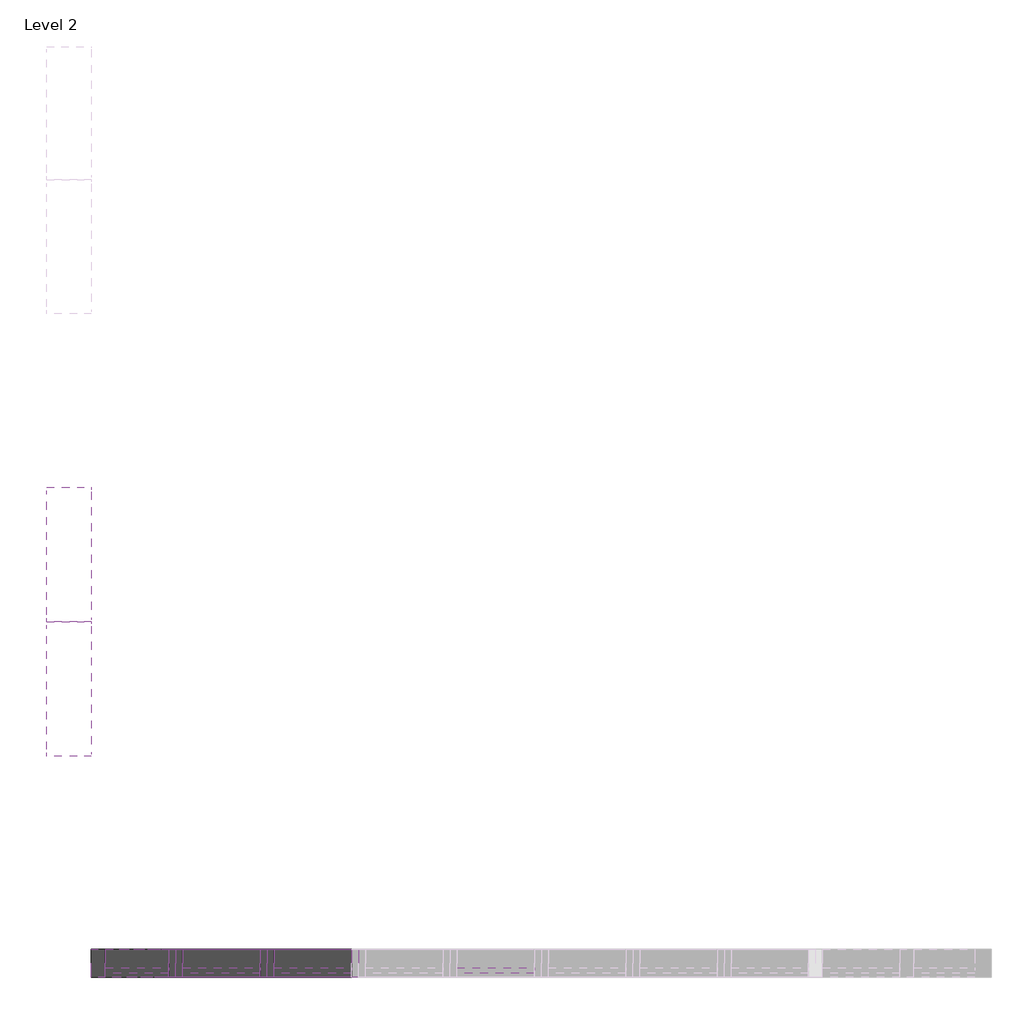
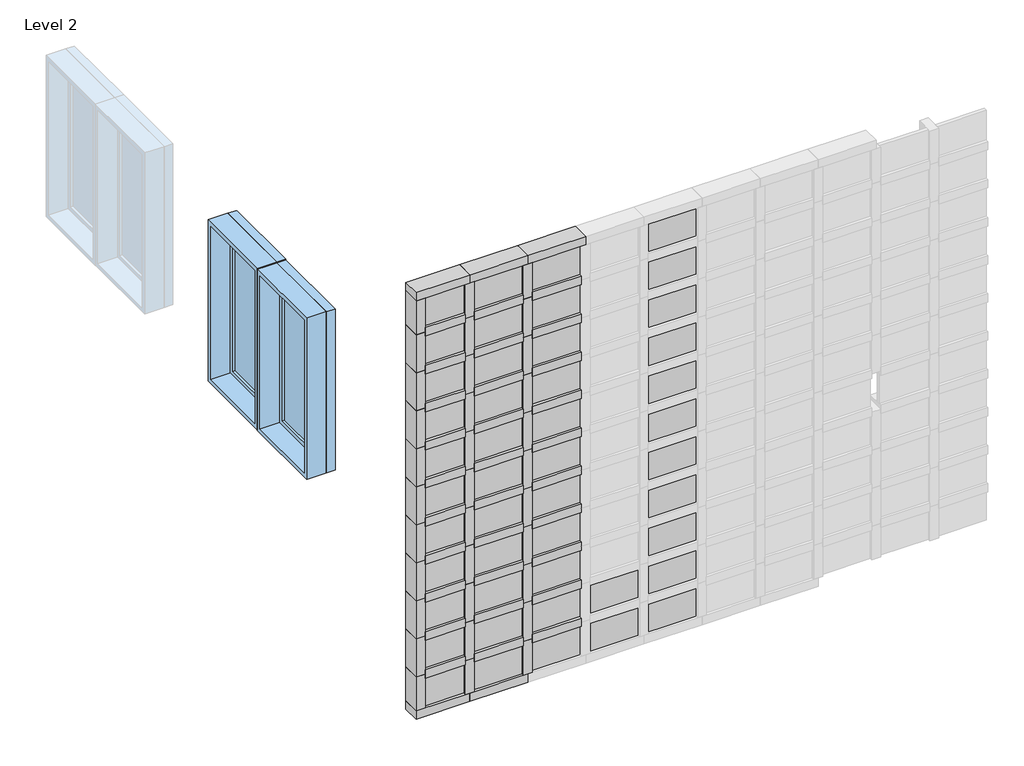
# One storey, part 1 of 7: 68 members, 46 plates, 2 windows.
"""IFC4 building model written with IfcOpenShell, lengths in millimetres."""

import ifcopenshell
import ifcopenshell.guid

model = None  # the IFC model being written
_history = None  # IfcOwnerHistory: only IFC2X3 demands one
_inside = {}  # id of a spatial element -> (the spatial element, [elements in it])
_under = {}  # id of a project, library or spatial element -> (it, [spatial elements below it])
_declared = {}  # id of a project -> (the project, [libraries it declares])
_typed = {}  # id of a type object -> (the type object, [elements of that type])
_made_of = {}  # id of a material, layer set ... -> (it, [elements and type objects made of it])


def new_model(schema):
    """Start an empty IFC model of exactly this schema.

    Asked for "IFC4X3", IfcOpenShell would pick the latest addendum, in which some entities
    have other attributes; the version numbers below select the first issue.
    IFC2X3 requires an IfcOwnerHistory on every rooted entity: one is made here for all.
    """
    global model, _history
    if schema == "IFC4X3":
        model = ifcopenshell.file(schema_version=(4, 3, 0, 0))
    else:
        model = ifcopenshell.file(schema=schema)
    _inside.clear()
    _under.clear()
    _declared.clear()
    _typed.clear()
    _made_of.clear()
    _history = None
    if model.schema == "IFC2X3":
        org = make("IfcOrganization", Name="unknown")
        user = make(
            "IfcPersonAndOrganization",
            ThePerson=make("IfcPerson", FamilyName="unknown"),
            TheOrganization=org,
        )
        app = make(
            "IfcApplication",
            ApplicationDeveloper=org,
            Version="unknown",
            ApplicationFullName="unknown",
            ApplicationIdentifier="unknown",
        )
        _history = make(
            "IfcOwnerHistory",
            OwningUser=user,
            OwningApplication=app,
            ChangeAction="ADDED",
            CreationDate=0,
        )
    return model


def make(cls, **values):
    """One entity of the class cls with the attributes given. An attribute that is None is left unset."""
    return model.create_entity(
        cls, **{name: value for name, value in values.items() if value is not None}
    )


def rooted(cls, **values):
    """An entity with a GlobalId (a new one), such as an element, a storey or a relation."""
    return make(cls, GlobalId=ifcopenshell.guid.new(), OwnerHistory=_history, **values)


def si_unit(unit_type, name, prefix=None):
    """IfcSIUnit, for example si_unit("LENGTHUNIT", "METRE", prefix="MILLI")."""
    return make("IfcSIUnit", UnitType=unit_type, Prefix=prefix, Name=name)


def assignment(units):
    """IfcUnitAssignment: the units of a project."""
    return None if units is None else make("IfcUnitAssignment", Units=units)


def point(xyz):
    """IfcCartesianPoint."""
    return None if xyz is None else make("IfcCartesianPoint", Coordinates=xyz)


def direction(xyz):
    """IfcDirection."""
    return None if xyz is None else make("IfcDirection", DirectionRatios=xyz)


def frame(location, z_axis=None, x_axis=None):
    """IfcAxis2Placement3D, a coordinate frame: its origin and axes. An axis left out is left unset."""
    return make(
        "IfcAxis2Placement3D",
        Location=point(location),
        Axis=direction(z_axis),
        RefDirection=direction(x_axis),
    )


def origin():
    """The frame at (0, 0, 0) with its axes left unset."""
    return frame((0.0, 0.0, 0.0))


def origin_with_axes():
    """The frame at (0, 0, 0) with the z axis (0, 0, 1) and the x axis (1, 0, 0) written out."""
    return frame((0.0, 0.0, 0.0), z_axis=(0.0, 0.0, 1.0), x_axis=(1.0, 0.0, 0.0))


def place(relative_to, where):
    """IfcLocalPlacement: puts the frame where relative to a parent placement (None: the world)."""
    return make(
        "IfcLocalPlacement", PlacementRelTo=relative_to, RelativePlacement=where
    )


def context(
    kind, dimensions, precision=None, world=None, true_north=None, identifier=None
):
    """IfcGeometricRepresentationContext, for example the 3D "Model" context."""
    return make(
        "IfcGeometricRepresentationContext",
        ContextIdentifier=identifier,
        ContextType=kind,
        CoordinateSpaceDimension=dimensions,
        Precision=precision,
        WorldCoordinateSystem=world,
        TrueNorth=true_north,
    )


def project(units=None, contexts=None):
    """IfcProject with its units and contexts."""
    return rooted(
        "IfcProject",
        Name="project",
        RepresentationContexts=contexts,
        UnitsInContext=assignment(units),
    )


def spatial(cls, under=None, at=None, **own):
    """A site, building, storey or space (cls), placed at a placement, below another one or the project."""
    s = rooted(cls, ObjectPlacement=at, **own)
    if under is not None:
        _under.setdefault(under.id(), (under, []))[1].append(s)
    return s


def polyline(points):
    """IfcPolyline through the points."""
    return make("IfcPolyline", Points=[point(p) for p in points])


def outline(outer, holes=None, kind="AREA"):
    """IfcArbitraryClosedProfileDef: a profile drawn as a closed curve; with holes, ...WithVoids."""
    if holes is None:
        return make("IfcArbitraryClosedProfileDef", ProfileType=kind, OuterCurve=outer)
    return make(
        "IfcArbitraryProfileDefWithVoids",
        ProfileType=kind,
        OuterCurve=outer,
        InnerCurves=holes,
    )


def extrude(swept, where, along, depth):
    """IfcExtrudedAreaSolid: the profile swept, set in the frame where, extruded along a direction by depth."""
    return make(
        "IfcExtrudedAreaSolid",
        SweptArea=swept,
        Position=where,
        ExtrudedDirection=direction(along),
        Depth=depth,
    )


def shape(context_of_items, identifier, shape_type, items):
    """IfcShapeRepresentation: the items that make up one representation, for example the "Body"."""
    return make(
        "IfcShapeRepresentation",
        ContextOfItems=context_of_items,
        RepresentationIdentifier=identifier,
        RepresentationType=shape_type,
        Items=items,
    )


def source(mapping_origin, context_of_items, identifier, shape_type, items):
    """IfcRepresentationMap: a shape defined once, which mapped items show again and again."""
    return make(
        "IfcRepresentationMap",
        MappingOrigin=mapping_origin,
        MappedRepresentation=shape(context_of_items, identifier, shape_type, items),
    )


def transform(
    local_origin,
    x_axis=None,
    y_axis=None,
    z_axis=None,
    scale=None,
    scale2=None,
    scale3=None,
    uniform=True,
):
    """IfcCartesianTransformationOperator3D, or its non-uniform kind. x_axis, y_axis, z_axis: its Axis1, 2, 3."""
    if uniform:
        return make(
            "IfcCartesianTransformationOperator3D",
            Axis1=direction(x_axis),
            Axis2=direction(y_axis),
            LocalOrigin=point(local_origin),
            Scale=scale,
            Axis3=direction(z_axis),
        )
    return make(
        "IfcCartesianTransformationOperator3DnonUniform",
        Axis1=direction(x_axis),
        Axis2=direction(y_axis),
        LocalOrigin=point(local_origin),
        Scale=scale,
        Axis3=direction(z_axis),
        Scale2=scale2,
        Scale3=scale3,
    )


def mapped(mapping_source, mapping_target):
    """IfcMappedItem: shows the shape of a source again, moved by a transform."""
    return make(
        "IfcMappedItem", MappingSource=mapping_source, MappingTarget=mapping_target
    )


def made_of(thing, what):
    """Note that an element or type object is made of a material, layer set ...; save() writes the relation."""
    if what is not None:
        _made_of.setdefault(what.id(), (what, []))[1].append(thing)
    return thing


def element(
    cls,
    number,
    at=None,
    inside=None,
    cuts=None,
    type_object=None,
    material=None,
    context=None,
    identifier="Body",
    shape_type=None,
    held_by="IfcProductDefinitionShape",
    body=None,
    shapes=None,
    **own,
):
    """One element of the class cls, such as IfcWall. Its Tag is "e" and its number.

    at: its placement. inside: the storey or other place that contains it. cuts: it is an
    opening in that element (IfcRelVoidsElement). A single representation is given by context,
    identifier, shape_type and body (its items); several are given by shapes. held_by: the class
    of the entity that holds the representations. save() writes the other relations.
    """
    e = rooted(cls, Tag="e%d" % number, ObjectPlacement=at, **own)
    if body is not None:
        shapes = [shape(context, identifier, shape_type, body)]
    if shapes is not None:
        e.Representation = make(held_by, Representations=shapes)
    if inside is not None:
        _inside.setdefault(inside.id(), (inside, []))[1].append(e)
    if cuts is not None:
        rooted(
            "IfcRelVoidsElement", RelatingBuildingElement=cuts, RelatedOpeningElement=e
        )
    if type_object is not None:
        _typed.setdefault(type_object.id(), (type_object, []))[1].append(e)
    return made_of(e, material)


def aggregate(whole, parts):
    """IfcRelAggregates: a whole, such as a stair, and the parts it consists of."""
    return rooted("IfcRelAggregates", RelatingObject=whole, RelatedObjects=parts)


def save(model, path):
    """Write the relations noted so far, then the file.

    IfcRelAggregates (storeys below a building ...), IfcRelContainedInSpatialStructure (elements
    in a storey), IfcRelDefinesByType, IfcRelAssociatesMaterial and IfcRelDeclares: one each for
    every whole, place, type object, material and project.
    """
    for whole, parts in _under.values():
        aggregate(whole, parts)
    for where, things in _inside.values():
        rooted(
            "IfcRelContainedInSpatialStructure",
            RelatedElements=things,
            RelatingStructure=where,
        )
    for kind, things in _typed.values():
        rooted("IfcRelDefinesByType", RelatedObjects=things, RelatingType=kind)
    for what, things in _made_of.values():
        rooted("IfcRelAssociatesMaterial", RelatedObjects=things, RelatingMaterial=what)
    for by, libraries in _declared.values():
        rooted("IfcRelDeclares", RelatingContext=by, RelatedDefinitions=libraries)
    model.write(path)


def member_053a1080(model_context):
    return source(origin(), model_context, "Body", "SweptSolid", [
        extrude(outline(polyline([(31.75, 63.5), (31.75, -63.5), (-31.75, -63.5), (-31.75, 63.5), (31.75, 63.5)])), frame((0.0, 0.0, -351.3666667), z_axis=(0.0, 0.0, 1.0), x_axis=(1.0, 0.0, 0.0)), (0.0, 0.0, 1.0), 351.3666667),
    ])


def member_034e421a(model_context):
    return source(origin(), model_context, "Body", "SweptSolid", [
        extrude(outline(polyline([(31.75, 63.5), (31.75, -63.5), (-31.75, -63.5), (-31.75, 63.5), (31.75, 63.5)])), frame((0.0, 0.0, -287.8666667), z_axis=(0.0, 0.0, 1.0), x_axis=(1.0, 0.0, 0.0)), (0.0, 0.0, 1.0), 287.8666667),
    ])


def member_cc20b924(model_context):
    return source(origin(), model_context, "Body", "SweptSolid", [
        extrude(outline(polyline([(0.0, 63.5), (0.0, -63.5), (-63.5, -63.5), (-63.5, 63.5), (0.0, 63.5)])), frame((0.0, 0.0, -414.8666667), z_axis=(0.0, 0.0, 1.0), x_axis=(1.0, 0.0, 0.0)), (0.0, 0.0, 1.0), 414.8666667),
    ])


def member_2293d3ee(model_context):
    return source(origin(), model_context, "Body", "SweptSolid", [
        extrude(outline(polyline([(0.0, 63.5), (0.0, -63.5), (-63.5, -63.5), (-63.5, 63.5), (0.0, 63.5)])), frame((0.0, 0.0, -383.1166667), z_axis=(0.0, 0.0, 1.0), x_axis=(1.0, 0.0, 0.0)), (0.0, 0.0, 1.0), 383.1166667),
    ])


def member_fa3b035b(model_context):
    return source(origin(), model_context, "Body", "SweptSolid", [
        extrude(outline(polyline([(31.75, 63.5), (31.75, -63.5), (-31.75, -63.5), (-31.75, 63.5), (31.75, 63.5)])), frame((0.0, 0.0, -287.4301113), z_axis=(0.0, 0.0, 1.0), x_axis=(1.0, 0.0, 0.0)), (0.0, 0.0, 1.0), 287.4301113),
    ])


def member_d2e9ee92(model_context):
    return source(origin(), model_context, "Body", "SweptSolid", [
        extrude(outline(polyline([(31.75, 63.5), (31.75, -63.5), (-31.75, -63.5), (-31.75, 63.5), (31.75, 63.5)])), frame((0.0, 0.0, -255.6801113), z_axis=(0.0, 0.0, 1.0), x_axis=(1.0, 0.0, 0.0)), (0.0, 0.0, 1.0), 255.6801113),
    ])


def member_1cec665f(model_context):
    return source(origin(), model_context, "Body", "SweptSolid", [
        extrude(outline(polyline([(0.0, 63.5), (0.0, -63.5), (-63.5, -63.5), (-63.5, 63.5), (0.0, 63.5)])), frame((0.0, 0.0, -287.4301113), z_axis=(0.0, 0.0, 1.0), x_axis=(1.0, 0.0, 0.0)), (0.0, 0.0, 1.0), 287.4301113),
    ])


def member_eea44fdc(model_context):
    return source(origin(), model_context, "Body", "SweptSolid", [
        extrude(outline(polyline([(0.0, 63.5), (0.0, -63.5), (-63.5, -63.5), (-63.5, 63.5), (0.0, 63.5)])), frame((0.0, 0.0, -255.6801113), z_axis=(0.0, 0.0, 1.0), x_axis=(1.0, 0.0, 0.0)), (0.0, 0.0, 1.0), 255.6801113),
    ])


def system_panel_glazed_a957bdd6(model_context):
    return source(origin(), model_context, "Body", "SweptSolid", [
        extrude(outline(polyline([(175.6833333, 19.05), (-175.6833333, 19.05), (-175.6833333, 44.45), (175.6833333, 44.45), (175.6833333, 19.05)])), origin_with_axes(), (0.0, 0.0, 1.0), 223.9301113),
    ])


def system_panel_glazed_3b3cb07f(model_context):
    return source(origin(), model_context, "Body", "SweptSolid", [
        extrude(outline(polyline([(143.9333333, 19.05), (-143.9333333, 19.05), (-143.9333333, 44.45), (143.9333333, 44.45), (143.9333333, 19.05)])), origin_with_axes(), (0.0, 0.0, 1.0), 223.9301113),
    ])


def window_80bd9af0(model_context):
    return source(origin(), model_context, "Body", "SweptSolid", [
        extrude(outline(polyline([(203.2, 53.975), (-279.4, 53.975), (-279.4, 66.675), (203.2, 66.675), (203.2, 53.975)])), frame((0.0, 0.0, 977.9), z_axis=(0.0, 0.0, 1.0), x_axis=(1.0, 0.0, 0.0)), (0.0, 0.0, 1.0), 1092.2),
        extrude(outline(polyline([(2114.55, -323.85), (933.45, -323.85), (933.45, 247.65), (2114.55, 247.65), (2114.55, -323.85)]), holes=[polyline([(2070.1, -279.4), (2070.1, 203.2), (977.9, 203.2), (977.9, -279.4), (2070.1, -279.4)])]), frame((0.0, 38.1, 0.0), z_axis=(0.0, 1.0, 0.0), x_axis=(0.0, 0.0, 1.0)), (0.0, 0.0, 1.0), 44.45),
        extrude(outline(polyline([(2133.6, -342.9), (914.4, -342.9), (914.4, 266.7), (2133.6, 266.7), (2133.6, -342.9)]), holes=[polyline([(2101.85, -311.15), (2101.85, 234.95), (946.15, 234.95), (946.15, -311.15), (2101.85, -311.15)])]), frame((0.0, -101.6, 0.0), z_axis=(0.0, 1.0, 0.0), x_axis=(0.0, 0.0, 1.0)), (0.0, 0.0, 1.0), 139.7),
        extrude(outline(polyline([(2133.6, 266.7), (2133.6, -342.9), (914.4, -342.9), (914.4, 266.7), (2133.6, 266.7)]), holes=[polyline([(2114.55, 247.65), (933.45, 247.65), (933.45, -323.85), (2114.55, -323.85), (2114.55, 247.65)])]), frame((0.0, 38.1, 0.0), z_axis=(0.0, 1.0, 0.0), x_axis=(0.0, 0.0, 1.0)), (0.0, 0.0, 1.0), 63.5),
    ])


model = new_model("IFC4")

# Units and contexts
model_context = context("Model", 3, world=origin())
ifc_project = project(units=[si_unit("LENGTHUNIT", "METRE", prefix="MILLI")], contexts=[model_context])

# Site, building, storey
site = spatial("IfcSite", under=ifc_project)
building = spatial("IfcBuilding", under=site)
storey = spatial("IfcBuildingStorey", under=building, Name="Level 2", Elevation=3048.0)

# Members
placement = place(None, origin())
member_shape = member_053a1080(model_context)
element("IfcMember", 1, ObjectType="Rectangular Mullion : 2.5\" x 5\" rectangular", at=placement, inside=storey, context=model_context, shape_type="MappedRepresentation", body=[
    mapped(member_shape, transform((-5721.0083075, 4076.9545164, 3367.1801113), x_axis=(0.0, 0.0, 1.0), y_axis=(0.0, 1.0, 0.0), z_axis=(-1.0, 0.0, 0.0))),
])
element("IfcMember", 2, ObjectType="Rectangular Mullion : 2.5\" x 5\" rectangular", at=placement, inside=storey, context=model_context, shape_type="MappedRepresentation", body=[
    mapped(member_shape, transform((-5306.1416409, 4076.9545164, 3367.1801113), x_axis=(0.0, 0.0, 1.0), y_axis=(0.0, 1.0, 0.0), z_axis=(-1.0, 0.0, 0.0))),
])
element("IfcMember", 3, ObjectType="Rectangular Mullion : 2.5\" x 5\" rectangular", at=placement, inside=storey, context=model_context, shape_type="MappedRepresentation", body=[
    mapped(member_shape, transform((-5721.0083075, 4076.9545164, 3654.6102225), x_axis=(0.0, 0.0, 1.0), y_axis=(0.0, 1.0, 0.0), z_axis=(-1.0, 0.0, 0.0))),
])
element("IfcMember", 4, ObjectType="Rectangular Mullion : 2.5\" x 5\" rectangular", at=placement, inside=storey, context=model_context, shape_type="MappedRepresentation", body=[
    mapped(member_shape, transform((-5306.1416409, 4076.9545164, 3654.6102225), x_axis=(0.0, 0.0, 1.0), y_axis=(0.0, 1.0, 0.0), z_axis=(-1.0, 0.0, 0.0))),
])
element("IfcMember", 5, ObjectType="Rectangular Mullion : 2.5\" x 5\" rectangular", at=placement, inside=storey, context=model_context, shape_type="MappedRepresentation", body=[
    mapped(member_shape, transform((-5721.0083075, 4076.9545164, 3942.0403338), x_axis=(0.0, 0.0, 1.0), y_axis=(0.0, 1.0, 0.0), z_axis=(-1.0, 0.0, 0.0))),
])
element("IfcMember", 6, ObjectType="Rectangular Mullion : 2.5\" x 5\" rectangular", at=placement, inside=storey, context=model_context, shape_type="MappedRepresentation", body=[
    mapped(member_shape, transform((-5306.1416409, 4076.9545164, 3942.0403338), x_axis=(0.0, 0.0, 1.0), y_axis=(0.0, 1.0, 0.0), z_axis=(-1.0, 0.0, 0.0))),
])
element("IfcMember", 7, ObjectType="Rectangular Mullion : 2.5\" x 5\" rectangular", at=placement, inside=storey, context=model_context, shape_type="MappedRepresentation", body=[
    mapped(member_shape, transform((-5721.0083075, 4076.9545164, 4229.4704451), x_axis=(0.0, 0.0, 1.0), y_axis=(0.0, 1.0, 0.0), z_axis=(-1.0, 0.0, 0.0))),
])
element("IfcMember", 8, ObjectType="Rectangular Mullion : 2.5\" x 5\" rectangular", at=placement, inside=storey, context=model_context, shape_type="MappedRepresentation", body=[
    mapped(member_shape, transform((-5306.1416409, 4076.9545164, 4229.4704451), x_axis=(0.0, 0.0, 1.0), y_axis=(0.0, 1.0, 0.0), z_axis=(-1.0, 0.0, 0.0))),
])
element("IfcMember", 9, ObjectType="Rectangular Mullion : 2.5\" x 5\" rectangular", at=placement, inside=storey, context=model_context, shape_type="MappedRepresentation", body=[
    mapped(member_shape, transform((-5721.0083075, 4076.9545164, 4516.9005563), x_axis=(0.0, 0.0, 1.0), y_axis=(0.0, 1.0, 0.0), z_axis=(-1.0, 0.0, 0.0))),
])
element("IfcMember", 10, ObjectType="Rectangular Mullion : 2.5\" x 5\" rectangular", at=placement, inside=storey, context=model_context, shape_type="MappedRepresentation", body=[
    mapped(member_shape, transform((-5306.1416409, 4076.9545164, 4516.9005563), x_axis=(0.0, 0.0, 1.0), y_axis=(0.0, 1.0, 0.0), z_axis=(-1.0, 0.0, 0.0))),
])
element("IfcMember", 11, ObjectType="Rectangular Mullion : 2.5\" x 5\" rectangular", at=placement, inside=storey, context=model_context, shape_type="MappedRepresentation", body=[
    mapped(member_shape, transform((-5721.0083075, 4076.9545164, 4804.3306676), x_axis=(0.0, 0.0, 1.0), y_axis=(0.0, 1.0, 0.0), z_axis=(-1.0, 0.0, 0.0))),
])
element("IfcMember", 12, ObjectType="Rectangular Mullion : 2.5\" x 5\" rectangular", at=placement, inside=storey, context=model_context, shape_type="MappedRepresentation", body=[
    mapped(member_shape, transform((-5306.1416409, 4076.9545164, 4804.3306676), x_axis=(0.0, 0.0, 1.0), y_axis=(0.0, 1.0, 0.0), z_axis=(-1.0, 0.0, 0.0))),
])
element("IfcMember", 13, ObjectType="Rectangular Mullion : 2.5\" x 5\" rectangular", at=placement, inside=storey, context=model_context, shape_type="MappedRepresentation", body=[
    mapped(member_shape, transform((-5721.0083075, 4076.9545164, 5091.7607789), x_axis=(0.0, 0.0, 1.0), y_axis=(0.0, 1.0, 0.0), z_axis=(-1.0, 0.0, 0.0))),
])
element("IfcMember", 14, ObjectType="Rectangular Mullion : 2.5\" x 5\" rectangular", at=placement, inside=storey, context=model_context, shape_type="MappedRepresentation", body=[
    mapped(member_shape, transform((-5306.1416409, 4076.9545164, 5091.7607789), x_axis=(0.0, 0.0, 1.0), y_axis=(0.0, 1.0, 0.0), z_axis=(-1.0, 0.0, 0.0))),
])
element("IfcMember", 15, ObjectType="Rectangular Mullion : 2.5\" x 5\" rectangular", at=placement, inside=storey, context=model_context, shape_type="MappedRepresentation", body=[
    mapped(member_shape, transform((-5721.0083075, 4076.9545164, 5379.1908901), x_axis=(0.0, 0.0, 1.0), y_axis=(0.0, 1.0, 0.0), z_axis=(-1.0, 0.0, 0.0))),
])
element("IfcMember", 16, ObjectType="Rectangular Mullion : 2.5\" x 5\" rectangular", at=placement, inside=storey, context=model_context, shape_type="MappedRepresentation", body=[
    mapped(member_shape, transform((-5306.1416409, 4076.9545164, 5379.1908901), x_axis=(0.0, 0.0, 1.0), y_axis=(0.0, 1.0, 0.0), z_axis=(-1.0, 0.0, 0.0))),
])
element("IfcMember", 17, ObjectType="Rectangular Mullion : 2.5\" x 5\" rectangular", at=placement, inside=storey, context=model_context, shape_type="MappedRepresentation", body=[
    mapped(member_shape, transform((-5721.0083075, 4076.9545164, 5666.6210014), x_axis=(0.0, 0.0, 1.0), y_axis=(0.0, 1.0, 0.0), z_axis=(-1.0, 0.0, 0.0))),
])
element("IfcMember", 18, ObjectType="Rectangular Mullion : 2.5\" x 5\" rectangular", at=placement, inside=storey, context=model_context, shape_type="MappedRepresentation", body=[
    mapped(member_shape, transform((-5306.1416409, 4076.9545164, 5666.6210014), x_axis=(0.0, 0.0, 1.0), y_axis=(0.0, 1.0, 0.0), z_axis=(-1.0, 0.0, 0.0))),
])
element("IfcMember", 19, ObjectType="Rectangular Mullion : 2.5\" x 5\" rectangular", at=placement, inside=storey, context=model_context, shape_type="MappedRepresentation", body=[
    mapped(member_shape, transform((-5721.0083075, 4076.9545164, 5954.0511127), x_axis=(0.0, 0.0, 1.0), y_axis=(0.0, 1.0, 0.0), z_axis=(-1.0, 0.0, 0.0))),
])
element("IfcMember", 20, ObjectType="Rectangular Mullion : 2.5\" x 5\" rectangular", at=placement, inside=storey, context=model_context, shape_type="MappedRepresentation", body=[
    mapped(member_shape, transform((-5306.1416409, 4076.9545164, 5954.0511127), x_axis=(0.0, 0.0, 1.0), y_axis=(0.0, 1.0, 0.0), z_axis=(-1.0, 0.0, 0.0))),
])
member_2_shape = member_034e421a(model_context)
element("IfcMember", 21, ObjectType="Rectangular Mullion : 2.5\" x 5\" rectangular", at=placement, inside=storey, context=model_context, shape_type="MappedRepresentation", body=[
    mapped(member_2_shape, transform((-6072.3749742, 4076.9545164, 3367.1801113), x_axis=(0.0, 0.0, 1.0), y_axis=(0.0, 1.0, 0.0), z_axis=(-1.0, 0.0, 0.0))),
])
element("IfcMember", 22, ObjectType="Rectangular Mullion : 2.5\" x 5\" rectangular", at=placement, inside=storey, context=model_context, shape_type="MappedRepresentation", body=[
    mapped(member_2_shape, transform((-6072.3749742, 4076.9545164, 3654.6102225), x_axis=(0.0, 0.0, 1.0), y_axis=(0.0, 1.0, 0.0), z_axis=(-1.0, 0.0, 0.0))),
])
element("IfcMember", 23, ObjectType="Rectangular Mullion : 2.5\" x 5\" rectangular", at=placement, inside=storey, context=model_context, shape_type="MappedRepresentation", body=[
    mapped(member_2_shape, transform((-6072.3749742, 4076.9545164, 3942.0403338), x_axis=(0.0, 0.0, 1.0), y_axis=(0.0, 1.0, 0.0), z_axis=(-1.0, 0.0, 0.0))),
])
element("IfcMember", 24, ObjectType="Rectangular Mullion : 2.5\" x 5\" rectangular", at=placement, inside=storey, context=model_context, shape_type="MappedRepresentation", body=[
    mapped(member_2_shape, transform((-6072.3749742, 4076.9545164, 4229.4704451), x_axis=(0.0, 0.0, 1.0), y_axis=(0.0, 1.0, 0.0), z_axis=(-1.0, 0.0, 0.0))),
])
element("IfcMember", 25, ObjectType="Rectangular Mullion : 2.5\" x 5\" rectangular", at=placement, inside=storey, context=model_context, shape_type="MappedRepresentation", body=[
    mapped(member_2_shape, transform((-6072.3749742, 4076.9545164, 4516.9005563), x_axis=(0.0, 0.0, 1.0), y_axis=(0.0, 1.0, 0.0), z_axis=(-1.0, 0.0, 0.0))),
])
element("IfcMember", 26, ObjectType="Rectangular Mullion : 2.5\" x 5\" rectangular", at=placement, inside=storey, context=model_context, shape_type="MappedRepresentation", body=[
    mapped(member_2_shape, transform((-6072.3749742, 4076.9545164, 4804.3306676), x_axis=(0.0, 0.0, 1.0), y_axis=(0.0, 1.0, 0.0), z_axis=(-1.0, 0.0, 0.0))),
])
element("IfcMember", 27, ObjectType="Rectangular Mullion : 2.5\" x 5\" rectangular", at=placement, inside=storey, context=model_context, shape_type="MappedRepresentation", body=[
    mapped(member_2_shape, transform((-6072.3749742, 4076.9545164, 5091.7607789), x_axis=(0.0, 0.0, 1.0), y_axis=(0.0, 1.0, 0.0), z_axis=(-1.0, 0.0, 0.0))),
])
element("IfcMember", 28, ObjectType="Rectangular Mullion : 2.5\" x 5\" rectangular", at=placement, inside=storey, context=model_context, shape_type="MappedRepresentation", body=[
    mapped(member_2_shape, transform((-6072.3749742, 4076.9545164, 5379.1908901), x_axis=(0.0, 0.0, 1.0), y_axis=(0.0, 1.0, 0.0), z_axis=(-1.0, 0.0, 0.0))),
])
element("IfcMember", 29, ObjectType="Rectangular Mullion : 2.5\" x 5\" rectangular", at=placement, inside=storey, context=model_context, shape_type="MappedRepresentation", body=[
    mapped(member_2_shape, transform((-6072.3749742, 4076.9545164, 5666.6210014), x_axis=(0.0, 0.0, 1.0), y_axis=(0.0, 1.0, 0.0), z_axis=(-1.0, 0.0, 0.0))),
])
element("IfcMember", 30, ObjectType="Rectangular Mullion : 2.5\" x 5\" rectangular", at=placement, inside=storey, context=model_context, shape_type="MappedRepresentation", body=[
    mapped(member_2_shape, transform((-6072.3749742, 4076.9545164, 5954.0511127), x_axis=(0.0, 0.0, 1.0), y_axis=(0.0, 1.0, 0.0), z_axis=(-1.0, 0.0, 0.0))),
])
member_3_shape = member_cc20b924(model_context)
element("IfcMember", 31, ObjectType="Rectangular Mullion : 2.5\" x 5\" rectangular", at=placement, inside=storey, context=model_context, shape_type="MappedRepresentation", body=[
    mapped(member_3_shape, transform((-5337.8916409, 4076.9545164, 3048.0), x_axis=(0.0, 0.0, -1.0), y_axis=(0.0, 1.0, 0.0), z_axis=(1.0, 0.0, 0.0))),
])
member_4_shape = member_2293d3ee(model_context)
element("IfcMember", 32, ObjectType="Rectangular Mullion : 2.5\" x 5\" rectangular", at=placement, inside=storey, context=model_context, shape_type="MappedRepresentation", body=[
    mapped(member_4_shape, transform((-5752.7583075, 4076.9545164, 3048.0), x_axis=(0.0, 0.0, -1.0), y_axis=(0.0, 1.0, 0.0), z_axis=(1.0, 0.0, 0.0))),
])
member_5_shape = member_fa3b035b(model_context)
element("IfcMember", 33, ObjectType="Rectangular Mullion : 2.5\" x 5\" rectangular", at=placement, inside=storey, context=model_context, shape_type="MappedRepresentation", body=[
    mapped(member_5_shape, transform((-5337.8916409, 4076.9545164, 5666.6210014), x_axis=(-1.0, 0.0, 0.0), y_axis=(0.0, 1.0, 0.0), z_axis=(0.0, 0.0, -1.0))),
])
element("IfcMember", 34, ObjectType="Rectangular Mullion : 2.5\" x 5\" rectangular", at=placement, inside=storey, context=model_context, shape_type="MappedRepresentation", body=[
    mapped(member_5_shape, transform((-5337.8916409, 4076.9545164, 5379.1908901), x_axis=(-1.0, 0.0, 0.0), y_axis=(0.0, 1.0, 0.0), z_axis=(0.0, 0.0, -1.0))),
])
element("IfcMember", 35, ObjectType="Rectangular Mullion : 2.5\" x 5\" rectangular", at=placement, inside=storey, context=model_context, shape_type="MappedRepresentation", body=[
    mapped(member_5_shape, transform((-5337.8916409, 4076.9545164, 5091.7607789), x_axis=(-1.0, 0.0, 0.0), y_axis=(0.0, 1.0, 0.0), z_axis=(0.0, 0.0, -1.0))),
])
element("IfcMember", 36, ObjectType="Rectangular Mullion : 2.5\" x 5\" rectangular", at=placement, inside=storey, context=model_context, shape_type="MappedRepresentation", body=[
    mapped(member_5_shape, transform((-5337.8916409, 4076.9545164, 4804.3306676), x_axis=(-1.0, 0.0, 0.0), y_axis=(0.0, 1.0, 0.0), z_axis=(0.0, 0.0, -1.0))),
])
element("IfcMember", 37, ObjectType="Rectangular Mullion : 2.5\" x 5\" rectangular", at=placement, inside=storey, context=model_context, shape_type="MappedRepresentation", body=[
    mapped(member_5_shape, transform((-5337.8916409, 4076.9545164, 4516.9005563), x_axis=(-1.0, 0.0, 0.0), y_axis=(0.0, 1.0, 0.0), z_axis=(0.0, 0.0, -1.0))),
])
element("IfcMember", 38, ObjectType="Rectangular Mullion : 2.5\" x 5\" rectangular", at=placement, inside=storey, context=model_context, shape_type="MappedRepresentation", body=[
    mapped(member_5_shape, transform((-5337.8916409, 4076.9545164, 4229.4704451), x_axis=(-1.0, 0.0, 0.0), y_axis=(0.0, 1.0, 0.0), z_axis=(0.0, 0.0, -1.0))),
])
element("IfcMember", 39, ObjectType="Rectangular Mullion : 2.5\" x 5\" rectangular", at=placement, inside=storey, context=model_context, shape_type="MappedRepresentation", body=[
    mapped(member_5_shape, transform((-5337.8916409, 4076.9545164, 3942.0403338), x_axis=(-1.0, 0.0, 0.0), y_axis=(0.0, 1.0, 0.0), z_axis=(0.0, 0.0, -1.0))),
])
element("IfcMember", 40, ObjectType="Rectangular Mullion : 2.5\" x 5\" rectangular", at=placement, inside=storey, context=model_context, shape_type="MappedRepresentation", body=[
    mapped(member_5_shape, transform((-5337.8916409, 4076.9545164, 3654.6102225), x_axis=(-1.0, 0.0, 0.0), y_axis=(0.0, 1.0, 0.0), z_axis=(0.0, 0.0, -1.0))),
])
element("IfcMember", 41, ObjectType="Rectangular Mullion : 2.5\" x 5\" rectangular", at=placement, inside=storey, context=model_context, shape_type="MappedRepresentation", body=[
    mapped(member_5_shape, transform((-5337.8916409, 4076.9545164, 3367.1801113), x_axis=(-1.0, 0.0, 0.0), y_axis=(0.0, 1.0, 0.0), z_axis=(0.0, 0.0, -1.0))),
])
element("IfcMember", 42, ObjectType="Rectangular Mullion : 2.5\" x 5\" rectangular", at=placement, inside=storey, context=model_context, shape_type="MappedRepresentation", body=[
    mapped(member_5_shape, transform((-5752.7583075, 4076.9545164, 3654.6102225), x_axis=(-1.0, 0.0, 0.0), y_axis=(0.0, 1.0, 0.0), z_axis=(0.0, 0.0, -1.0))),
])
element("IfcMember", 43, ObjectType="Rectangular Mullion : 2.5\" x 5\" rectangular", at=placement, inside=storey, context=model_context, shape_type="MappedRepresentation", body=[
    mapped(member_5_shape, transform((-5752.7583075, 4076.9545164, 3367.1801113), x_axis=(-1.0, 0.0, 0.0), y_axis=(0.0, 1.0, 0.0), z_axis=(0.0, 0.0, -1.0))),
])
element("IfcMember", 44, ObjectType="Rectangular Mullion : 2.5\" x 5\" rectangular", at=placement, inside=storey, context=model_context, shape_type="MappedRepresentation", body=[
    mapped(member_5_shape, transform((-5752.7583075, 4076.9545164, 5666.6210014), x_axis=(-1.0, 0.0, 0.0), y_axis=(0.0, 1.0, 0.0), z_axis=(0.0, 0.0, -1.0))),
])
element("IfcMember", 45, ObjectType="Rectangular Mullion : 2.5\" x 5\" rectangular", at=placement, inside=storey, context=model_context, shape_type="MappedRepresentation", body=[
    mapped(member_5_shape, transform((-5752.7583075, 4076.9545164, 5379.1908901), x_axis=(-1.0, 0.0, 0.0), y_axis=(0.0, 1.0, 0.0), z_axis=(0.0, 0.0, -1.0))),
])
element("IfcMember", 46, ObjectType="Rectangular Mullion : 2.5\" x 5\" rectangular", at=placement, inside=storey, context=model_context, shape_type="MappedRepresentation", body=[
    mapped(member_5_shape, transform((-5752.7583075, 4076.9545164, 5091.7607789), x_axis=(-1.0, 0.0, 0.0), y_axis=(0.0, 1.0, 0.0), z_axis=(0.0, 0.0, -1.0))),
])
element("IfcMember", 47, ObjectType="Rectangular Mullion : 2.5\" x 5\" rectangular", at=placement, inside=storey, context=model_context, shape_type="MappedRepresentation", body=[
    mapped(member_5_shape, transform((-5752.7583075, 4076.9545164, 4804.3306676), x_axis=(-1.0, 0.0, 0.0), y_axis=(0.0, 1.0, 0.0), z_axis=(0.0, 0.0, -1.0))),
])
element("IfcMember", 48, ObjectType="Rectangular Mullion : 2.5\" x 5\" rectangular", at=placement, inside=storey, context=model_context, shape_type="MappedRepresentation", body=[
    mapped(member_5_shape, transform((-5752.7583075, 4076.9545164, 4516.9005563), x_axis=(-1.0, 0.0, 0.0), y_axis=(0.0, 1.0, 0.0), z_axis=(0.0, 0.0, -1.0))),
])
element("IfcMember", 49, ObjectType="Rectangular Mullion : 2.5\" x 5\" rectangular", at=placement, inside=storey, context=model_context, shape_type="MappedRepresentation", body=[
    mapped(member_5_shape, transform((-5752.7583075, 4076.9545164, 4229.4704451), x_axis=(-1.0, 0.0, 0.0), y_axis=(0.0, 1.0, 0.0), z_axis=(0.0, 0.0, -1.0))),
])
element("IfcMember", 50, ObjectType="Rectangular Mullion : 2.5\" x 5\" rectangular", at=placement, inside=storey, context=model_context, shape_type="MappedRepresentation", body=[
    mapped(member_5_shape, transform((-5752.7583075, 4076.9545164, 3942.0403338), x_axis=(-1.0, 0.0, 0.0), y_axis=(0.0, 1.0, 0.0), z_axis=(0.0, 0.0, -1.0))),
])
member_6_shape = member_d2e9ee92(model_context)
element("IfcMember", 51, ObjectType="Rectangular Mullion : 2.5\" x 5\" rectangular", at=placement, inside=storey, context=model_context, shape_type="MappedRepresentation", body=[
    mapped(member_6_shape, transform((-5337.8916409, 4076.9545164, 5954.0511127), x_axis=(-1.0, 0.0, 0.0), y_axis=(0.0, 1.0, 0.0), z_axis=(0.0, 0.0, -1.0))),
])
element("IfcMember", 52, ObjectType="Rectangular Mullion : 2.5\" x 5\" rectangular", at=placement, inside=storey, context=model_context, shape_type="MappedRepresentation", body=[
    mapped(member_6_shape, transform((-5752.7583075, 4076.9545164, 5954.0511127), x_axis=(-1.0, 0.0, 0.0), y_axis=(0.0, 1.0, 0.0), z_axis=(0.0, 0.0, -1.0))),
])
element("IfcMember", 53, ObjectType="Rectangular Mullion : 2.5\" x 5\" rectangular", at=placement, inside=storey, context=model_context, shape_type="MappedRepresentation", body=[
    mapped(member_6_shape, transform((-5337.8916409, 4076.9545164, 3111.5), x_axis=(-1.0, 0.0, 0.0), y_axis=(0.0, 1.0, 0.0), z_axis=(0.0, 0.0, -1.0))),
])
element("IfcMember", 54, ObjectType="Rectangular Mullion : 2.5\" x 5\" rectangular", at=placement, inside=storey, context=model_context, shape_type="MappedRepresentation", body=[
    mapped(member_6_shape, transform((-5752.7583075, 4076.9545164, 3111.5), x_axis=(-1.0, 0.0, 0.0), y_axis=(0.0, 1.0, 0.0), z_axis=(0.0, 0.0, -1.0))),
])
element("IfcMember", 55, ObjectType="Rectangular Mullion : 2.5\" x 5\" rectangular", at=placement, inside=storey, context=model_context, shape_type="MappedRepresentation", body=[
    mapped(member_3_shape, transform((-5752.7583075, 4076.9545164, 6273.2312239), x_axis=(0.0, 0.0, 1.0), y_axis=(0.0, 1.0, 0.0), z_axis=(-1.0, 0.0, 0.0))),
])
element("IfcMember", 56, ObjectType="Rectangular Mullion : 2.5\" x 5\" rectangular", at=placement, inside=storey, context=model_context, shape_type="MappedRepresentation", body=[
    mapped(member_3_shape, transform((-5337.8916409, 4076.9545164, 6273.2312239), x_axis=(0.0, 0.0, 1.0), y_axis=(0.0, 1.0, 0.0), z_axis=(-1.0, 0.0, 0.0))),
])
element("IfcMember", 57, ObjectType="Rectangular Mullion : 2.5\" x 5\" rectangular", at=placement, inside=storey, context=model_context, shape_type="MappedRepresentation", body=[
    mapped(member_4_shape, transform((-6135.8749742, 4076.9545164, 6273.2312239), x_axis=(0.0, 0.0, 1.0), y_axis=(0.0, 1.0, 0.0), z_axis=(-1.0, 0.0, 0.0))),
])
member_7_shape = member_1cec665f(model_context)
element("IfcMember", 58, ObjectType="Rectangular Mullion : 2.5\" x 5\" rectangular", at=placement, inside=storey, context=model_context, shape_type="MappedRepresentation", body=[
    mapped(member_7_shape, transform((-6135.8749742, 4076.9545164, 5091.7607789), x_axis=(-1.0, 0.0, 0.0), y_axis=(0.0, 1.0, 0.0), z_axis=(0.0, 0.0, -1.0))),
])
element("IfcMember", 59, ObjectType="Rectangular Mullion : 2.5\" x 5\" rectangular", at=placement, inside=storey, context=model_context, shape_type="MappedRepresentation", body=[
    mapped(member_7_shape, transform((-6135.8749742, 4076.9545164, 4804.3306676), x_axis=(-1.0, 0.0, 0.0), y_axis=(0.0, 1.0, 0.0), z_axis=(0.0, 0.0, -1.0))),
])
element("IfcMember", 60, ObjectType="Rectangular Mullion : 2.5\" x 5\" rectangular", at=placement, inside=storey, context=model_context, shape_type="MappedRepresentation", body=[
    mapped(member_7_shape, transform((-6135.8749742, 4076.9545164, 4516.9005563), x_axis=(-1.0, 0.0, 0.0), y_axis=(0.0, 1.0, 0.0), z_axis=(0.0, 0.0, -1.0))),
])
element("IfcMember", 61, ObjectType="Rectangular Mullion : 2.5\" x 5\" rectangular", at=placement, inside=storey, context=model_context, shape_type="MappedRepresentation", body=[
    mapped(member_7_shape, transform((-6135.8749742, 4076.9545164, 4229.4704451), x_axis=(-1.0, 0.0, 0.0), y_axis=(0.0, 1.0, 0.0), z_axis=(0.0, 0.0, -1.0))),
])
element("IfcMember", 62, ObjectType="Rectangular Mullion : 2.5\" x 5\" rectangular", at=placement, inside=storey, context=model_context, shape_type="MappedRepresentation", body=[
    mapped(member_7_shape, transform((-6135.8749742, 4076.9545164, 3942.0403338), x_axis=(-1.0, 0.0, 0.0), y_axis=(0.0, 1.0, 0.0), z_axis=(0.0, 0.0, -1.0))),
])
element("IfcMember", 63, ObjectType="Rectangular Mullion : 2.5\" x 5\" rectangular", at=placement, inside=storey, context=model_context, shape_type="MappedRepresentation", body=[
    mapped(member_7_shape, transform((-6135.8749742, 4076.9545164, 3654.6102225), x_axis=(-1.0, 0.0, 0.0), y_axis=(0.0, 1.0, 0.0), z_axis=(0.0, 0.0, -1.0))),
])
element("IfcMember", 64, ObjectType="Rectangular Mullion : 2.5\" x 5\" rectangular", at=placement, inside=storey, context=model_context, shape_type="MappedRepresentation", body=[
    mapped(member_7_shape, transform((-6135.8749742, 4076.9545164, 3367.1801113), x_axis=(-1.0, 0.0, 0.0), y_axis=(0.0, 1.0, 0.0), z_axis=(0.0, 0.0, -1.0))),
])
element("IfcMember", 65, ObjectType="Rectangular Mullion : 2.5\" x 5\" rectangular", at=placement, inside=storey, context=model_context, shape_type="MappedRepresentation", body=[
    mapped(member_7_shape, transform((-6135.8749742, 4076.9545164, 5666.6210014), x_axis=(-1.0, 0.0, 0.0), y_axis=(0.0, 1.0, 0.0), z_axis=(0.0, 0.0, -1.0))),
])
element("IfcMember", 66, ObjectType="Rectangular Mullion : 2.5\" x 5\" rectangular", at=placement, inside=storey, context=model_context, shape_type="MappedRepresentation", body=[
    mapped(member_7_shape, transform((-6135.8749742, 4076.9545164, 5379.1908901), x_axis=(-1.0, 0.0, 0.0), y_axis=(0.0, 1.0, 0.0), z_axis=(0.0, 0.0, -1.0))),
])
member_8_shape = member_eea44fdc(model_context)
element("IfcMember", 67, ObjectType="Rectangular Mullion : 2.5\" x 5\" rectangular", at=placement, inside=storey, context=model_context, shape_type="MappedRepresentation", body=[
    mapped(member_8_shape, transform((-6135.8749742, 4076.9545164, 3111.5), x_axis=(-1.0, 0.0, 0.0), y_axis=(0.0, 1.0, 0.0), z_axis=(0.0, 0.0, -1.0))),
])
element("IfcMember", 68, ObjectType="Rectangular Mullion : 2.5\" x 5\" rectangular", at=placement, inside=storey, context=model_context, shape_type="MappedRepresentation", body=[
    mapped(member_8_shape, transform((-6135.8749742, 4076.9545164, 5954.0511127), x_axis=(-1.0, 0.0, 0.0), y_axis=(0.0, 1.0, 0.0), z_axis=(0.0, 0.0, -1.0))),
])

# Plates
system_panel_glazed_shape = system_panel_glazed_a957bdd6(model_context)
element("IfcPlate", 69, ObjectType="System Panel : Glazed", at=placement, inside=storey, context=model_context, shape_type="MappedRepresentation", body=[
    mapped(system_panel_glazed_shape, transform((-4300.7249742, 4076.9545164, 3111.5), x_axis=(-1.0, 0.0, 0.0), y_axis=(0.0, -1.0, 0.0), z_axis=(0.0, 0.0, 1.0))),
])
element("IfcPlate", 70, ObjectType="System Panel : Glazed", at=placement, inside=storey, context=model_context, shape_type="MappedRepresentation", body=[
    mapped(system_panel_glazed_shape, transform((-4300.7249742, 4076.9545164, 3398.9301113), x_axis=(-1.0, 0.0, 0.0), y_axis=(0.0, -1.0, 0.0), z_axis=(0.0, 0.0, 1.0))),
])
element("IfcPlate", 71, ObjectType="System Panel : Glazed", at=placement, inside=storey, context=model_context, shape_type="MappedRepresentation", body=[
    mapped(system_panel_glazed_shape, transform((-4300.7249742, 4076.9545164, 3686.3602225), x_axis=(-1.0, 0.0, 0.0), y_axis=(0.0, -1.0, 0.0), z_axis=(0.0, 0.0, 1.0))),
])
element("IfcPlate", 72, ObjectType="System Panel : Glazed", at=placement, inside=storey, context=model_context, shape_type="MappedRepresentation", body=[
    mapped(system_panel_glazed_shape, transform((-4300.7249742, 4076.9545164, 3973.7903338), x_axis=(-1.0, 0.0, 0.0), y_axis=(0.0, -1.0, 0.0), z_axis=(0.0, 0.0, 1.0))),
])
element("IfcPlate", 73, ObjectType="System Panel : Glazed", at=placement, inside=storey, context=model_context, shape_type="MappedRepresentation", body=[
    mapped(system_panel_glazed_shape, transform((-4300.7249742, 4076.9545164, 4261.2204451), x_axis=(-1.0, 0.0, 0.0), y_axis=(0.0, -1.0, 0.0), z_axis=(0.0, 0.0, 1.0))),
])
element("IfcPlate", 74, ObjectType="System Panel : Glazed", at=placement, inside=storey, context=model_context, shape_type="MappedRepresentation", body=[
    mapped(system_panel_glazed_shape, transform((-4300.7249742, 4076.9545164, 4548.6505563), x_axis=(-1.0, 0.0, 0.0), y_axis=(0.0, -1.0, 0.0), z_axis=(0.0, 0.0, 1.0))),
])
element("IfcPlate", 75, ObjectType="System Panel : Glazed", at=placement, inside=storey, context=model_context, shape_type="MappedRepresentation", body=[
    mapped(system_panel_glazed_shape, transform((-4300.7249742, 4076.9545164, 4836.0806676), x_axis=(-1.0, 0.0, 0.0), y_axis=(0.0, -1.0, 0.0), z_axis=(0.0, 0.0, 1.0))),
])
element("IfcPlate", 76, ObjectType="System Panel : Glazed", at=placement, inside=storey, context=model_context, shape_type="MappedRepresentation", body=[
    mapped(system_panel_glazed_shape, transform((-4300.7249742, 4076.9545164, 5123.5107789), x_axis=(-1.0, 0.0, 0.0), y_axis=(0.0, -1.0, 0.0), z_axis=(0.0, 0.0, 1.0))),
])
element("IfcPlate", 77, ObjectType="System Panel : Glazed", at=placement, inside=storey, context=model_context, shape_type="MappedRepresentation", body=[
    mapped(system_panel_glazed_shape, transform((-4300.7249742, 4076.9545164, 5410.9408901), x_axis=(-1.0, 0.0, 0.0), y_axis=(0.0, -1.0, 0.0), z_axis=(0.0, 0.0, 1.0))),
])
element("IfcPlate", 78, ObjectType="System Panel : Glazed", at=placement, inside=storey, context=model_context, shape_type="MappedRepresentation", body=[
    mapped(system_panel_glazed_shape, transform((-4300.7249742, 4076.9545164, 5698.3710014), x_axis=(-1.0, 0.0, 0.0), y_axis=(0.0, -1.0, 0.0), z_axis=(0.0, 0.0, 1.0))),
])
element("IfcPlate", 79, ObjectType="System Panel : Glazed", at=placement, inside=storey, context=model_context, shape_type="MappedRepresentation", body=[
    mapped(system_panel_glazed_shape, transform((-4300.7249742, 4076.9545164, 5985.8011127), x_axis=(-1.0, 0.0, 0.0), y_axis=(0.0, -1.0, 0.0), z_axis=(0.0, 0.0, 1.0))),
])
element("IfcPlate", 80, ObjectType="System Panel : Glazed", at=placement, inside=storey, context=model_context, shape_type="MappedRepresentation", body=[
    mapped(system_panel_glazed_shape, transform((-4715.5916409, 4076.9545164, 3111.5), x_axis=(-1.0, 0.0, 0.0), y_axis=(0.0, -1.0, 0.0), z_axis=(0.0, 0.0, 1.0))),
])
element("IfcPlate", 81, ObjectType="System Panel : Glazed", at=placement, inside=storey, context=model_context, shape_type="MappedRepresentation", body=[
    mapped(system_panel_glazed_shape, transform((-4715.5916409, 4076.9545164, 3398.9301113), x_axis=(-1.0, 0.0, 0.0), y_axis=(0.0, -1.0, 0.0), z_axis=(0.0, 0.0, 1.0))),
])
element("IfcPlate", 82, ObjectType="System Panel : Glazed", at=placement, inside=storey, context=model_context, shape_type="MappedRepresentation", body=[
    mapped(system_panel_glazed_shape, transform((-5130.4583075, 4076.9545164, 3111.5), x_axis=(-1.0, 0.0, 0.0), y_axis=(0.0, -1.0, 0.0), z_axis=(0.0, 0.0, 1.0))),
])
element("IfcPlate", 83, ObjectType="System Panel : Glazed", at=placement, inside=storey, context=model_context, shape_type="MappedRepresentation", body=[
    mapped(system_panel_glazed_shape, transform((-5130.4583075, 4076.9545164, 3398.9301113), x_axis=(-1.0, 0.0, 0.0), y_axis=(0.0, -1.0, 0.0), z_axis=(0.0, 0.0, 1.0))),
])
element("IfcPlate", 84, ObjectType="System Panel : Glazed", at=placement, inside=storey, context=model_context, shape_type="MappedRepresentation", body=[
    mapped(system_panel_glazed_shape, transform((-5130.4583075, 4076.9545164, 3686.3602225), x_axis=(-1.0, 0.0, 0.0), y_axis=(0.0, -1.0, 0.0), z_axis=(0.0, 0.0, 1.0))),
])
element("IfcPlate", 85, ObjectType="System Panel : Glazed", at=placement, inside=storey, context=model_context, shape_type="MappedRepresentation", body=[
    mapped(system_panel_glazed_shape, transform((-5130.4583075, 4076.9545164, 3973.7903338), x_axis=(-1.0, 0.0, 0.0), y_axis=(0.0, -1.0, 0.0), z_axis=(0.0, 0.0, 1.0))),
])
element("IfcPlate", 86, ObjectType="System Panel : Glazed", at=placement, inside=storey, context=model_context, shape_type="MappedRepresentation", body=[
    mapped(system_panel_glazed_shape, transform((-5130.4583075, 4076.9545164, 4261.2204451), x_axis=(-1.0, 0.0, 0.0), y_axis=(0.0, -1.0, 0.0), z_axis=(0.0, 0.0, 1.0))),
])
element("IfcPlate", 87, ObjectType="System Panel : Glazed", at=placement, inside=storey, context=model_context, shape_type="MappedRepresentation", body=[
    mapped(system_panel_glazed_shape, transform((-5130.4583075, 4076.9545164, 4548.6505563), x_axis=(-1.0, 0.0, 0.0), y_axis=(0.0, -1.0, 0.0), z_axis=(0.0, 0.0, 1.0))),
])
element("IfcPlate", 88, ObjectType="System Panel : Glazed", at=placement, inside=storey, context=model_context, shape_type="MappedRepresentation", body=[
    mapped(system_panel_glazed_shape, transform((-5130.4583075, 4076.9545164, 4836.0806676), x_axis=(-1.0, 0.0, 0.0), y_axis=(0.0, -1.0, 0.0), z_axis=(0.0, 0.0, 1.0))),
])
element("IfcPlate", 89, ObjectType="System Panel : Glazed", at=placement, inside=storey, context=model_context, shape_type="MappedRepresentation", body=[
    mapped(system_panel_glazed_shape, transform((-5130.4583075, 4076.9545164, 5123.5107789), x_axis=(-1.0, 0.0, 0.0), y_axis=(0.0, -1.0, 0.0), z_axis=(0.0, 0.0, 1.0))),
])
element("IfcPlate", 90, ObjectType="System Panel : Glazed", at=placement, inside=storey, context=model_context, shape_type="MappedRepresentation", body=[
    mapped(system_panel_glazed_shape, transform((-5130.4583075, 4076.9545164, 5410.9408901), x_axis=(-1.0, 0.0, 0.0), y_axis=(0.0, -1.0, 0.0), z_axis=(0.0, 0.0, 1.0))),
])
element("IfcPlate", 91, ObjectType="System Panel : Glazed", at=placement, inside=storey, context=model_context, shape_type="MappedRepresentation", body=[
    mapped(system_panel_glazed_shape, transform((-5130.4583075, 4076.9545164, 5698.3710014), x_axis=(-1.0, 0.0, 0.0), y_axis=(0.0, -1.0, 0.0), z_axis=(0.0, 0.0, 1.0))),
])
element("IfcPlate", 92, ObjectType="System Panel : Glazed", at=placement, inside=storey, context=model_context, shape_type="MappedRepresentation", body=[
    mapped(system_panel_glazed_shape, transform((-5130.4583075, 4076.9545164, 5985.8011127), x_axis=(-1.0, 0.0, 0.0), y_axis=(0.0, -1.0, 0.0), z_axis=(0.0, 0.0, 1.0))),
])
element("IfcPlate", 93, ObjectType="System Panel : Glazed", at=placement, inside=storey, context=model_context, shape_type="MappedRepresentation", body=[
    mapped(system_panel_glazed_shape, transform((-5545.3249742, 4076.9545164, 3111.5), x_axis=(-1.0, 0.0, 0.0), y_axis=(0.0, -1.0, 0.0), z_axis=(0.0, 0.0, 1.0))),
])
element("IfcPlate", 94, ObjectType="System Panel : Glazed", at=placement, inside=storey, context=model_context, shape_type="MappedRepresentation", body=[
    mapped(system_panel_glazed_shape, transform((-5545.3249742, 4076.9545164, 3398.9301113), x_axis=(-1.0, 0.0, 0.0), y_axis=(0.0, -1.0, 0.0), z_axis=(0.0, 0.0, 1.0))),
])
element("IfcPlate", 95, ObjectType="System Panel : Glazed", at=placement, inside=storey, context=model_context, shape_type="MappedRepresentation", body=[
    mapped(system_panel_glazed_shape, transform((-5545.3249742, 4076.9545164, 3686.3602225), x_axis=(-1.0, 0.0, 0.0), y_axis=(0.0, -1.0, 0.0), z_axis=(0.0, 0.0, 1.0))),
])
element("IfcPlate", 96, ObjectType="System Panel : Glazed", at=placement, inside=storey, context=model_context, shape_type="MappedRepresentation", body=[
    mapped(system_panel_glazed_shape, transform((-5545.3249742, 4076.9545164, 3973.7903338), x_axis=(-1.0, 0.0, 0.0), y_axis=(0.0, -1.0, 0.0), z_axis=(0.0, 0.0, 1.0))),
])
element("IfcPlate", 97, ObjectType="System Panel : Glazed", at=placement, inside=storey, context=model_context, shape_type="MappedRepresentation", body=[
    mapped(system_panel_glazed_shape, transform((-5545.3249742, 4076.9545164, 4261.2204451), x_axis=(-1.0, 0.0, 0.0), y_axis=(0.0, -1.0, 0.0), z_axis=(0.0, 0.0, 1.0))),
])
element("IfcPlate", 98, ObjectType="System Panel : Glazed", at=placement, inside=storey, context=model_context, shape_type="MappedRepresentation", body=[
    mapped(system_panel_glazed_shape, transform((-5545.3249742, 4076.9545164, 4548.6505563), x_axis=(-1.0, 0.0, 0.0), y_axis=(0.0, -1.0, 0.0), z_axis=(0.0, 0.0, 1.0))),
])
element("IfcPlate", 99, ObjectType="System Panel : Glazed", at=placement, inside=storey, context=model_context, shape_type="MappedRepresentation", body=[
    mapped(system_panel_glazed_shape, transform((-5545.3249742, 4076.9545164, 4836.0806676), x_axis=(-1.0, 0.0, 0.0), y_axis=(0.0, -1.0, 0.0), z_axis=(0.0, 0.0, 1.0))),
])
element("IfcPlate", 100, ObjectType="System Panel : Glazed", at=placement, inside=storey, context=model_context, shape_type="MappedRepresentation", body=[
    mapped(system_panel_glazed_shape, transform((-5545.3249742, 4076.9545164, 5123.5107789), x_axis=(-1.0, 0.0, 0.0), y_axis=(0.0, -1.0, 0.0), z_axis=(0.0, 0.0, 1.0))),
])
element("IfcPlate", 101, ObjectType="System Panel : Glazed", at=placement, inside=storey, context=model_context, shape_type="MappedRepresentation", body=[
    mapped(system_panel_glazed_shape, transform((-5545.3249742, 4076.9545164, 5410.9408901), x_axis=(-1.0, 0.0, 0.0), y_axis=(0.0, -1.0, 0.0), z_axis=(0.0, 0.0, 1.0))),
])
element("IfcPlate", 102, ObjectType="System Panel : Glazed", at=placement, inside=storey, context=model_context, shape_type="MappedRepresentation", body=[
    mapped(system_panel_glazed_shape, transform((-5545.3249742, 4076.9545164, 5698.3710014), x_axis=(-1.0, 0.0, 0.0), y_axis=(0.0, -1.0, 0.0), z_axis=(0.0, 0.0, 1.0))),
])
element("IfcPlate", 103, ObjectType="System Panel : Glazed", at=placement, inside=storey, context=model_context, shape_type="MappedRepresentation", body=[
    mapped(system_panel_glazed_shape, transform((-5545.3249742, 4076.9545164, 5985.8011127), x_axis=(-1.0, 0.0, 0.0), y_axis=(0.0, -1.0, 0.0), z_axis=(0.0, 0.0, 1.0))),
])
system_panel_glazed_2_shape = system_panel_glazed_3b3cb07f(model_context)
element("IfcPlate", 104, ObjectType="System Panel : Glazed", at=placement, inside=storey, context=model_context, shape_type="MappedRepresentation", body=[
    mapped(system_panel_glazed_2_shape, transform((-5928.4416409, 4076.9545164, 3111.5), x_axis=(-1.0, 0.0, 0.0), y_axis=(0.0, -1.0, 0.0), z_axis=(0.0, 0.0, 1.0))),
])
element("IfcPlate", 105, ObjectType="System Panel : Glazed", at=placement, inside=storey, context=model_context, shape_type="MappedRepresentation", body=[
    mapped(system_panel_glazed_2_shape, transform((-5928.4416409, 4076.9545164, 3398.9301113), x_axis=(-1.0, 0.0, 0.0), y_axis=(0.0, -1.0, 0.0), z_axis=(0.0, 0.0, 1.0))),
])
element("IfcPlate", 106, ObjectType="System Panel : Glazed", at=placement, inside=storey, context=model_context, shape_type="MappedRepresentation", body=[
    mapped(system_panel_glazed_2_shape, transform((-5928.4416409, 4076.9545164, 3686.3602225), x_axis=(-1.0, 0.0, 0.0), y_axis=(0.0, -1.0, 0.0), z_axis=(0.0, 0.0, 1.0))),
])
element("IfcPlate", 107, ObjectType="System Panel : Glazed", at=placement, inside=storey, context=model_context, shape_type="MappedRepresentation", body=[
    mapped(system_panel_glazed_2_shape, transform((-5928.4416409, 4076.9545164, 3973.7903338), x_axis=(-1.0, 0.0, 0.0), y_axis=(0.0, -1.0, 0.0), z_axis=(0.0, 0.0, 1.0))),
])
element("IfcPlate", 108, ObjectType="System Panel : Glazed", at=placement, inside=storey, context=model_context, shape_type="MappedRepresentation", body=[
    mapped(system_panel_glazed_2_shape, transform((-5928.4416409, 4076.9545164, 4261.2204451), x_axis=(-1.0, 0.0, 0.0), y_axis=(0.0, -1.0, 0.0), z_axis=(0.0, 0.0, 1.0))),
])
element("IfcPlate", 109, ObjectType="System Panel : Glazed", at=placement, inside=storey, context=model_context, shape_type="MappedRepresentation", body=[
    mapped(system_panel_glazed_2_shape, transform((-5928.4416409, 4076.9545164, 4548.6505563), x_axis=(-1.0, 0.0, 0.0), y_axis=(0.0, -1.0, 0.0), z_axis=(0.0, 0.0, 1.0))),
])
element("IfcPlate", 110, ObjectType="System Panel : Glazed", at=placement, inside=storey, context=model_context, shape_type="MappedRepresentation", body=[
    mapped(system_panel_glazed_2_shape, transform((-5928.4416409, 4076.9545164, 4836.0806676), x_axis=(-1.0, 0.0, 0.0), y_axis=(0.0, -1.0, 0.0), z_axis=(0.0, 0.0, 1.0))),
])
element("IfcPlate", 111, ObjectType="System Panel : Glazed", at=placement, inside=storey, context=model_context, shape_type="MappedRepresentation", body=[
    mapped(system_panel_glazed_2_shape, transform((-5928.4416409, 4076.9545164, 5123.5107789), x_axis=(-1.0, 0.0, 0.0), y_axis=(0.0, -1.0, 0.0), z_axis=(0.0, 0.0, 1.0))),
])
element("IfcPlate", 112, ObjectType="System Panel : Glazed", at=placement, inside=storey, context=model_context, shape_type="MappedRepresentation", body=[
    mapped(system_panel_glazed_2_shape, transform((-5928.4416409, 4076.9545164, 5410.9408901), x_axis=(-1.0, 0.0, 0.0), y_axis=(0.0, -1.0, 0.0), z_axis=(0.0, 0.0, 1.0))),
])
element("IfcPlate", 113, ObjectType="System Panel : Glazed", at=placement, inside=storey, context=model_context, shape_type="MappedRepresentation", body=[
    mapped(system_panel_glazed_2_shape, transform((-5928.4416409, 4076.9545164, 5698.3710014), x_axis=(-1.0, 0.0, 0.0), y_axis=(0.0, -1.0, 0.0), z_axis=(0.0, 0.0, 1.0))),
])
element("IfcPlate", 114, ObjectType="System Panel : Glazed", at=placement, inside=storey, context=model_context, shape_type="MappedRepresentation", body=[
    mapped(system_panel_glazed_2_shape, transform((-5928.4416409, 4076.9545164, 5985.8011127), x_axis=(-1.0, 0.0, 0.0), y_axis=(0.0, -1.0, 0.0), z_axis=(0.0, 0.0, 1.0))),
])

# Windows
window_shape = window_80bd9af0(model_context)
element("IfcWindow", 115, ObjectType="Fixed : 24\" x 48\"", at=placement, inside=storey, context=model_context, shape_type="MappedRepresentation", body=[
    mapped(window_shape, transform((-6237.4749742, 5893.0545164, 3413.3465352), x_axis=(0.0, -1.0, 0.0), y_axis=(1.0, 0.0, 0.0), z_axis=(0.0, 0.0, 1.0))),
])
element("IfcWindow", 116, ObjectType="Fixed : 24\" x 48\"", at=placement, inside=storey, context=model_context, shape_type="MappedRepresentation", body=[
    mapped(window_shape, transform((-6237.4749742, 5283.4545164, 3408.7419569), x_axis=(0.0, -1.0, 0.0), y_axis=(1.0, 0.0, 0.0), z_axis=(0.0, 0.0, 1.0))),
])

save(model, "model.ifc")
